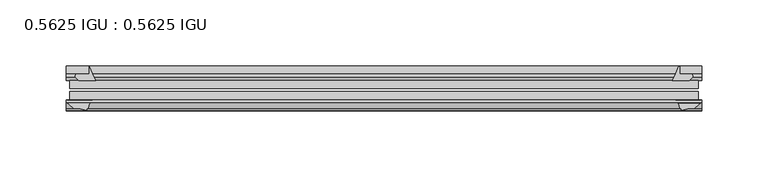
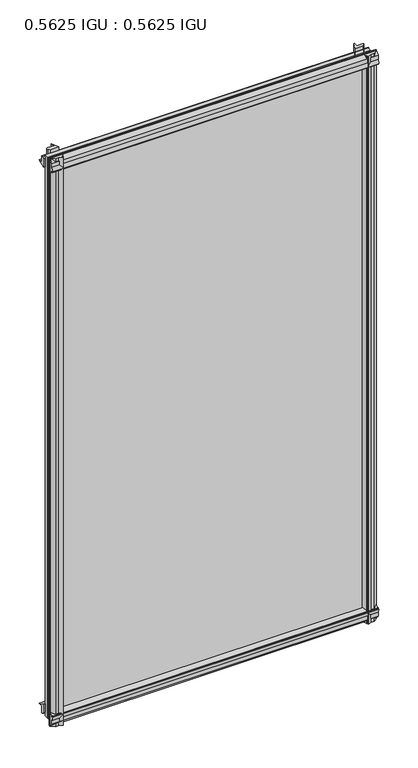
"""IFC4 building model written with IfcOpenShell, lengths in millimetres: plate geometry, 0.5625 IGU : 0.5625 IGU."""

from ifc_helpers import new_model, si_unit, point, frame, frame_2d, origin, place, context, project, spatial, polyline, circle_curve, trimmed, segment, composite_curve, outline, extrude, source, transform, mapped, element, save


def plate_0_5625_igu_0_5625_igu_99d6f12c(model_context):
    return source(origin(), model_context, "Body", "SweptSolid", [
        extrude(outline(composite_curve([segment(trimmed(circle_curve(frame_2d((-37.8345654, 15.3636795)), 15.5602222), [point((-35.093275, 0.0468313))], [point((-27.955875, 3.3415337))], True, "CARTESIAN"), True, "CONTINUOUS"), segment(polyline([(-27.955875, 3.3415337), (-27.955875, -17.9974199)]), True, "CONTINUOUS"), segment(trimmed(circle_curve(frame_2d((-28.971875, -17.9974199)), 1.016), [point((-27.955875, -17.9974199))], [point((-29.7387172, -18.6639099))], False, "CARTESIAN"), True, "CONTINUOUS"), segment(polyline([(-29.7387172, -18.6639099), (-34.305875, -13.4090837), (-34.305875, -7.4052024), (-35.880675, -1.5279687), (-34.305875, -1.5279687), (-34.305875, -0.7405687)]), True, "CONTINUOUS"), segment(trimmed(circle_curve(frame_2d((-35.093275, -0.7405687)), 0.7874), [point((-34.305875, -0.7405687))], [point((-35.093275, 0.0468313))], True, "CARTESIAN"), True, "CONTINUOUS")], self_intersect=False)), frame((-239.9831096, 0.0, 0.0), z_axis=(1.0, 0.0, 0.0), x_axis=(0.0, 1.0, 0.0)), (0.0, 0.0, 1.0), 479.9662192),
        extrude(outline(composite_curve([segment(trimmed(circle_curve(frame_2d((11.4445684, 45.0767023)), 47.0962123), [point((-13.096875, 4.8800511))], [point((-2.198896, 0.0))], True, "CARTESIAN"), True, "CONTINUOUS"), segment(polyline([(-2.198896, 0.0), (-8.321675, 0.0), (-8.321675, -9.0936065)]), True, "CONTINUOUS"), segment(trimmed(circle_curve(frame_2d((-9.9050751, -9.085239)), 1.5834222), [point((-8.321675, -9.0936065))], [point((-11.0877177, -10.1381313))], False, "CARTESIAN"), True, "CONTINUOUS"), segment(polyline([(-11.0877177, -10.1381313), (-13.096875, -7.8711888), (-13.096875, 4.8800511)]), True, "CONTINUOUS")], self_intersect=False)), frame((-239.9831096, 0.0, 0.0), z_axis=(1.0, 0.0, 0.0), x_axis=(0.0, 1.0, 0.0)), (0.0, 0.0, 1.0), 479.9662192),
        extrude(outline(composite_curve([segment(polyline([(-34.305875, 857.9590837), (-29.7387172, 863.2139099)]), True, "CONTINUOUS"), segment(trimmed(circle_curve(frame_2d((-28.971875, 862.5474199)), 1.016), [point((-29.7387172, 863.2139099))], [point((-27.955875, 862.5474199))], False, "CARTESIAN"), True, "CONTINUOUS"), segment(polyline([(-27.955875, 862.5474199), (-27.955875, 841.2084663)]), True, "CONTINUOUS"), segment(trimmed(circle_curve(frame_2d((-37.8345654, 829.1863205)), 15.5602222), [point((-27.955875, 841.2084663))], [point((-35.093275, 844.5031687))], True, "CARTESIAN"), True, "CONTINUOUS"), segment(trimmed(circle_curve(frame_2d((-35.093275, 845.2905687)), 0.7874), [point((-35.093275, 844.5031687))], [point((-34.305875, 845.2905688))], True, "CARTESIAN"), True, "CONTINUOUS"), segment(polyline([(-34.305875, 845.2905688), (-34.305875, 846.0779687), (-35.880675, 846.0779687), (-34.305875, 851.9552024), (-34.305875, 857.9590837)]), True, "CONTINUOUS")], self_intersect=False)), frame((-239.9831096, 0.0, 0.0), z_axis=(1.0, 0.0, 0.0), x_axis=(0.0, 1.0, 0.0)), (0.0, 0.0, 1.0), 479.9662192),
        extrude(outline(composite_curve([segment(trimmed(circle_curve(frame_2d((-9.9050751, 853.635239)), 1.5834222), [point((-11.0877177, 854.6881313))], [point((-8.321675, 853.6436065))], False, "CARTESIAN"), True, "CONTINUOUS"), segment(polyline([(-8.321675, 853.6436065), (-8.321675, 844.55), (-2.198896, 844.55)]), True, "CONTINUOUS"), segment(trimmed(circle_curve(frame_2d((11.4445684, 799.4732977)), 47.0962123), [point((-2.198896, 844.55))], [point((-13.096875, 839.6699489))], True, "CARTESIAN"), True, "CONTINUOUS"), segment(polyline([(-13.096875, 839.6699489), (-13.096875, 852.4211888), (-11.0877177, 854.6881313)]), True, "CONTINUOUS")], self_intersect=False)), frame((-239.9831096, 0.0, 0.0), z_axis=(1.0, 0.0, 0.0), x_axis=(0.0, 1.0, 0.0)), (0.0, 0.0, 1.0), 479.9662192),
        extrude(outline(composite_curve([segment(polyline([(223.3539894, -8.321675), (231.6232711, -8.321675)]), True, "CONTINUOUS"), segment(trimmed(circle_curve(frame_2d((231.6149036, -9.9050751)), 1.5834222), [point((231.6232711, -8.321675))], [point((232.6677959, -11.0877177))], False, "CARTESIAN"), True, "CONTINUOUS"), segment(polyline([(232.6677959, -11.0877177), (230.4008534, -13.096875), (217.6496135, -13.096875)]), True, "CONTINUOUS"), segment(trimmed(circle_curve(frame_2d((177.4529623, 11.4445684)), 47.0962123), [point((217.6496135, -13.096875))], [point((222.4828333, -2.352675))], True, "CARTESIAN"), True, "CONTINUOUS"), segment(polyline([(222.4828333, -2.352675), (223.3539894, -2.5510821), (223.3539894, -8.321675)]), True, "CONTINUOUS")], self_intersect=False)), frame((0.0, 0.0, -19.0134199), z_axis=(0.0, 0.0, 1.0), x_axis=(1.0, 0.0, 0.0)), (0.0, 0.0, 1.0), 882.2273298),
        extrude(outline(composite_curve([segment(trimmed(circle_curve(frame_2d((238.9671096, -28.971875)), 1.016), [point((238.9671096, -27.955875))], [point((239.6335996, -29.7387172))], False, "CARTESIAN"), True, "CONTINUOUS"), segment(polyline([(239.6335996, -29.7387172), (234.3787734, -34.305875), (230.3666669, -34.305875), (224.4894333, -35.880675), (224.4894333, -34.305875), (223.3990777, -34.305875)]), True, "CONTINUOUS"), segment(trimmed(circle_curve(frame_2d((211.7631251, -36.1215237)), 11.7767556), [point((223.3990777, -34.305875))], [point((220.2492405, -27.955875))], True, "CARTESIAN"), True, "CONTINUOUS"), segment(polyline([(220.2492405, -27.955875), (238.9671096, -27.955875)]), True, "CONTINUOUS")], self_intersect=False)), frame((0.0, 0.0, -19.0134199), z_axis=(0.0, 0.0, 1.0), x_axis=(1.0, 0.0, 0.0)), (0.0, 0.0, 1.0), 882.2273298),
        extrude(outline(composite_curve([segment(trimmed(circle_curve(frame_2d((-177.4529623, 11.4445684)), 47.0962123), [point((-222.4331215, -2.5138875))], [point((-217.6496135, -13.096875))], True, "CARTESIAN"), True, "CONTINUOUS"), segment(polyline([(-217.6496135, -13.096875), (-230.4008534, -13.096875), (-232.6677959, -11.0877177)]), True, "CONTINUOUS"), segment(trimmed(circle_curve(frame_2d((-231.6149036, -9.9050751)), 1.5834222), [point((-232.6677959, -11.0877177))], [point((-231.6232711, -8.321675))], False, "CARTESIAN"), True, "CONTINUOUS"), segment(polyline([(-231.6232711, -8.321675), (-222.4331215, -8.321675), (-222.4331215, -2.5138875)]), True, "CONTINUOUS")], self_intersect=False)), frame((0.0, 0.0, -19.0134199), z_axis=(0.0, 0.0, 1.0), x_axis=(1.0, 0.0, 0.0)), (0.0, 0.0, 1.0), 882.5768398),
        extrude(outline(composite_curve([segment(trimmed(circle_curve(frame_2d((-211.7631251, -36.1215237)), 11.7767556), [point((-220.2492405, -27.955875))], [point((-223.3990777, -34.305875))], True, "CARTESIAN"), True, "CONTINUOUS"), segment(polyline([(-223.3990777, -34.305875), (-224.4894333, -34.305875), (-224.4894333, -35.880675), (-230.3666669, -34.305875), (-234.3787734, -34.305875), (-239.6335996, -29.7387172)]), True, "CONTINUOUS"), segment(trimmed(circle_curve(frame_2d((-238.9671096, -28.971875)), 1.016), [point((-239.6335996, -29.7387172))], [point((-238.9671096, -27.955875))], False, "CARTESIAN"), True, "CONTINUOUS"), segment(polyline([(-238.9671096, -27.955875), (-220.2492405, -27.955875)]), True, "CONTINUOUS")], self_intersect=False)), frame((0.0, 0.0, -19.0134199), z_axis=(0.0, 0.0, 1.0), x_axis=(1.0, 0.0, 0.0)), (0.0, 0.0, 1.0), 882.5768398),
        extrude(outline(polyline([(-237.2021333, -13.096875), (237.2021333, -13.096875), (237.2021333, -19.396075), (-237.2021333, -19.396075), (-237.2021333, -13.096875)])), frame((0.0, 0.0, -13.5929687), z_axis=(0.0, 0.0, 1.0), x_axis=(1.0, 0.0, 0.0)), (0.0, 0.0, 1.0), 871.7359375),
        extrude(outline(polyline([(237.2021333, -21.656675), (237.2021333, -27.955875), (-237.2021333, -27.955875), (-237.2021333, -21.656675), (237.2021333, -21.656675)])), frame((0.0, 0.0, -13.5929687), z_axis=(0.0, 0.0, 1.0), x_axis=(1.0, 0.0, 0.0)), (0.0, 0.0, 1.0), 871.7359375),
    ])


if __name__ == "__main__":
    model = new_model("IFC4")
    model_context = context("Model", 3, world=origin())
    ifc_project = project(units=[si_unit("LENGTHUNIT", "METRE", prefix="MILLI")], contexts=[model_context])
    site = spatial("IfcSite", under=ifc_project)
    building = spatial("IfcBuilding", under=site)
    placement = place(None, origin())
    plate_0_5625_igu_0_5625_igu_shape = plate_0_5625_igu_0_5625_igu_99d6f12c(model_context)
    element("IfcPlate", 1, ObjectType="0.5625 IGU : 0.5625 IGU", at=placement, inside=building, context=model_context, shape_type="MappedRepresentation", body=[
        mapped(plate_0_5625_igu_0_5625_igu_shape, transform((0.0, 0.0, 0.0), x_axis=(1.0, 0.0, 0.0), y_axis=(0.0, 1.0, 0.0), z_axis=(0.0, 0.0, 1.0))),
    ])
    save(model, "model.ifc")
